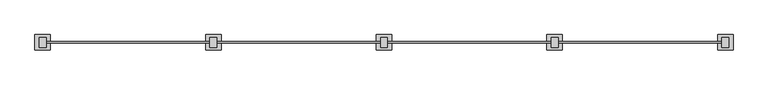
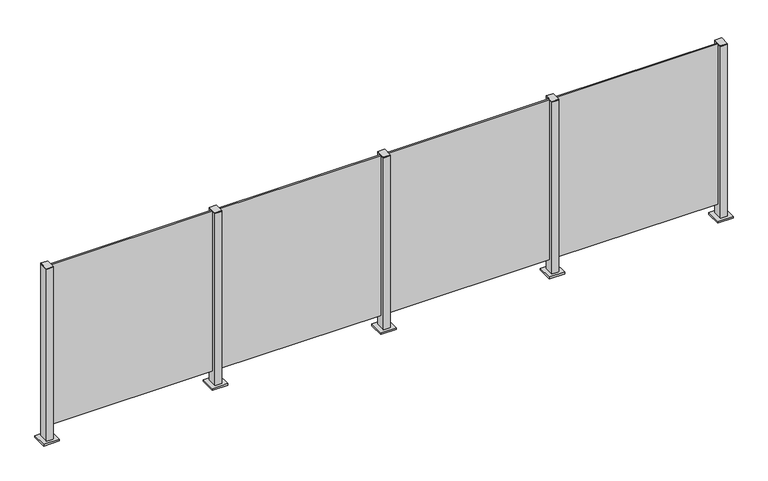
"""IFC4 building model written with IfcOpenShell, lengths in millimetres: railing geometry."""

from ifc_helpers import new_model, si_unit, frame, origin, origin_with_axes, place, context, project, spatial, polyline, outline, extrude, source, transform, mapped, element, save


def railing_3fa9e49b(model_context):
    return source(origin(), model_context, "Body", "SweptSolid", [
        extrude(outline(polyline([(69310.0, 5.9598727), (70390.0, 5.9598727), (70390.0, -4.0401273), (69310.0, -4.0401273), (69310.0, 5.9598727)])), frame((0.0, 0.0, 95.0), z_axis=(0.0, 0.0, 1.0), x_axis=(1.0, 0.0, 0.0)), (0.0, 0.0, 1.0), 1105.0),
        extrude(outline(polyline([(69322.5, -32.3153172), (69277.5, -32.3153172), (69277.5, 32.6846828), (69322.5, 32.6846828), (69322.5, -32.3153172)])), frame((0.0, 0.0, 1200.0), z_axis=(0.0, 0.0, 1.0), x_axis=(1.0, 0.0, 0.0)), (0.0, 0.0, 1.0), 5.0),
        extrude(outline(polyline([(69350.0, -49.8153172), (69250.0, -49.8153172), (69250.0, 50.1846828), (69350.0, 50.1846828), (69350.0, -49.8153172)])), origin_with_axes(), (0.0, 0.0, 1.0), 12.0),
        extrude(outline(polyline([(69322.5, -32.3153172), (69277.5, -32.3153172), (69277.5, 32.6846828), (69322.5, 32.6846828), (69322.5, -32.3153172)])), frame((0.0, 0.0, 12.0), z_axis=(0.0, 0.0, 1.0), x_axis=(1.0, 0.0, 0.0)), (0.0, 0.0, 1.0), 1188.0),
        extrude(outline(polyline([(68210.0, 5.9598727), (69290.0, 5.9598727), (69290.0, -4.0401273), (68210.0, -4.0401273), (68210.0, 5.9598727)])), frame((0.0, 0.0, 95.0), z_axis=(0.0, 0.0, 1.0), x_axis=(1.0, 0.0, 0.0)), (0.0, 0.0, 1.0), 1105.0),
        extrude(outline(polyline([(68222.5, -32.3153172), (68177.5, -32.3153172), (68177.5, 32.6846828), (68222.5, 32.6846828), (68222.5, -32.3153172)])), frame((0.0, 0.0, 1200.0), z_axis=(0.0, 0.0, 1.0), x_axis=(1.0, 0.0, 0.0)), (0.0, 0.0, 1.0), 5.0),
        extrude(outline(polyline([(68250.0, -49.8153172), (68150.0, -49.8153172), (68150.0, 50.1846828), (68250.0, 50.1846828), (68250.0, -49.8153172)])), origin_with_axes(), (0.0, 0.0, 1.0), 12.0),
        extrude(outline(polyline([(68222.5, -32.3153172), (68177.5, -32.3153172), (68177.5, 32.6846828), (68222.5, 32.6846828), (68222.5, -32.3153172)])), frame((0.0, 0.0, 12.0), z_axis=(0.0, 0.0, 1.0), x_axis=(1.0, 0.0, 0.0)), (0.0, 0.0, 1.0), 1188.0),
        extrude(outline(polyline([(67110.0, 5.9598727), (68190.0, 5.9598727), (68190.0, -4.0401273), (67110.0, -4.0401273), (67110.0, 5.9598727)])), frame((0.0, 0.0, 95.0), z_axis=(0.0, 0.0, 1.0), x_axis=(1.0, 0.0, 0.0)), (0.0, 0.0, 1.0), 1105.0),
        extrude(outline(polyline([(67122.5, -32.3153172), (67077.5, -32.3153172), (67077.5, 32.6846828), (67122.5, 32.6846828), (67122.5, -32.3153172)])), frame((0.0, 0.0, 1200.0), z_axis=(0.0, 0.0, 1.0), x_axis=(1.0, 0.0, 0.0)), (0.0, 0.0, 1.0), 5.0),
        extrude(outline(polyline([(67150.0, -49.8153172), (67050.0, -49.8153172), (67050.0, 50.1846828), (67150.0, 50.1846828), (67150.0, -49.8153172)])), origin_with_axes(), (0.0, 0.0, 1.0), 12.0),
        extrude(outline(polyline([(67122.5, -32.3153172), (67077.5, -32.3153172), (67077.5, 32.6846828), (67122.5, 32.6846828), (67122.5, -32.3153172)])), frame((0.0, 0.0, 12.0), z_axis=(0.0, 0.0, 1.0), x_axis=(1.0, 0.0, 0.0)), (0.0, 0.0, 1.0), 1188.0),
        extrude(outline(polyline([(66010.0, 5.9598727), (67090.0, 5.9598727), (67090.0, -4.0401273), (66010.0, -4.0401273), (66010.0, 5.9598727)])), frame((0.0, 0.0, 95.0), z_axis=(0.0, 0.0, 1.0), x_axis=(1.0, 0.0, 0.0)), (0.0, 0.0, 1.0), 1105.0),
        extrude(outline(polyline([(70422.5, -32.3153172), (70377.5, -32.3153172), (70377.5, 32.6846828), (70422.5, 32.6846828), (70422.5, -32.3153172)])), frame((0.0, 0.0, 1200.0), z_axis=(0.0, 0.0, 1.0), x_axis=(1.0, 0.0, 0.0)), (0.0, 0.0, 1.0), 5.0),
        extrude(outline(polyline([(70450.0, -49.8153172), (70350.0, -49.8153172), (70350.0, 50.1846828), (70450.0, 50.1846828), (70450.0, -49.8153172)])), origin_with_axes(), (0.0, 0.0, 1.0), 12.0),
        extrude(outline(polyline([(70422.5, -32.3153172), (70377.5, -32.3153172), (70377.5, 32.6846828), (70422.5, 32.6846828), (70422.5, -32.3153172)])), frame((0.0, 0.0, 12.0), z_axis=(0.0, 0.0, 1.0), x_axis=(1.0, 0.0, 0.0)), (0.0, 0.0, 1.0), 1188.0),
        extrude(outline(polyline([(66022.5, -32.3153172), (65977.5, -32.3153172), (65977.5, 32.6846828), (66022.5, 32.6846828), (66022.5, -32.3153172)])), frame((0.0, 0.0, 1200.0), z_axis=(0.0, 0.0, 1.0), x_axis=(1.0, 0.0, 0.0)), (0.0, 0.0, 1.0), 5.0),
        extrude(outline(polyline([(66050.0, -49.8153172), (65950.0, -49.8153172), (65950.0, 50.1846828), (66050.0, 50.1846828), (66050.0, -49.8153172)])), origin_with_axes(), (0.0, 0.0, 1.0), 12.0),
        extrude(outline(polyline([(66022.5, -32.3153172), (65977.5, -32.3153172), (65977.5, 32.6846828), (66022.5, 32.6846828), (66022.5, -32.3153172)])), frame((0.0, 0.0, 12.0), z_axis=(0.0, 0.0, 1.0), x_axis=(1.0, 0.0, 0.0)), (0.0, 0.0, 1.0), 1188.0),
    ])


if __name__ == "__main__":
    model = new_model("IFC4")
    model_context = context("Model", 3, world=origin())
    ifc_project = project(units=[si_unit("LENGTHUNIT", "METRE", prefix="MILLI")], contexts=[model_context])
    site = spatial("IfcSite", under=ifc_project)
    building = spatial("IfcBuilding", under=site)
    placement = place(None, origin())
    railing_shape = railing_3fa9e49b(model_context)
    element("IfcRailing", 1, at=placement, inside=building, context=model_context, shape_type="MappedRepresentation", body=[
        mapped(railing_shape, transform((0.0, 0.0, 0.0), x_axis=(1.0, 0.0, 0.0), y_axis=(0.0, 1.0, 0.0), z_axis=(0.0, 0.0, 1.0))),
    ])
    save(model, "model.ifc")
